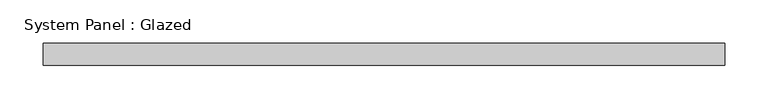
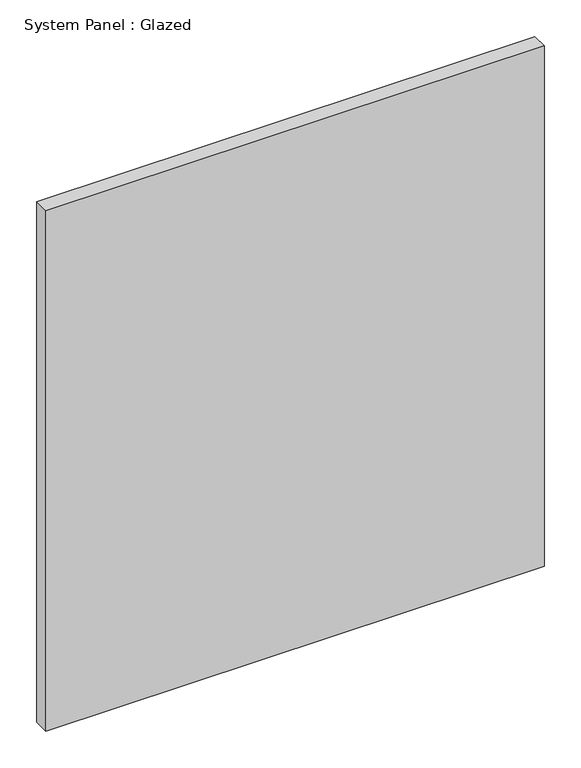
"""IFC4 building model written with IfcOpenShell, lengths in millimetres: plate geometry, System Panel : Glazed."""

import ifcopenshell
import ifcopenshell.guid

model = None  # the IFC model being written
_history = None  # IfcOwnerHistory: only IFC2X3 demands one
_inside = {}  # id of a spatial element -> (the spatial element, [elements in it])
_under = {}  # id of a project, library or spatial element -> (it, [spatial elements below it])
_declared = {}  # id of a project -> (the project, [libraries it declares])
_typed = {}  # id of a type object -> (the type object, [elements of that type])
_made_of = {}  # id of a material, layer set ... -> (it, [elements and type objects made of it])


def new_model(schema):
    """Start an empty IFC model of exactly this schema.

    Asked for "IFC4X3", IfcOpenShell would pick the latest addendum, in which some entities
    have other attributes; the version numbers below select the first issue.
    IFC2X3 requires an IfcOwnerHistory on every rooted entity: one is made here for all.
    """
    global model, _history
    if schema == "IFC4X3":
        model = ifcopenshell.file(schema_version=(4, 3, 0, 0))
    else:
        model = ifcopenshell.file(schema=schema)
    _inside.clear()
    _under.clear()
    _declared.clear()
    _typed.clear()
    _made_of.clear()
    _history = None
    if model.schema == "IFC2X3":
        org = make("IfcOrganization", Name="unknown")
        user = make(
            "IfcPersonAndOrganization",
            ThePerson=make("IfcPerson", FamilyName="unknown"),
            TheOrganization=org,
        )
        app = make(
            "IfcApplication",
            ApplicationDeveloper=org,
            Version="unknown",
            ApplicationFullName="unknown",
            ApplicationIdentifier="unknown",
        )
        _history = make(
            "IfcOwnerHistory",
            OwningUser=user,
            OwningApplication=app,
            ChangeAction="ADDED",
            CreationDate=0,
        )
    return model


def make(cls, **values):
    """One entity of the class cls with the attributes given. An attribute that is None is left unset."""
    return model.create_entity(
        cls, **{name: value for name, value in values.items() if value is not None}
    )


def rooted(cls, **values):
    """An entity with a GlobalId (a new one), such as an element, a storey or a relation."""
    return make(cls, GlobalId=ifcopenshell.guid.new(), OwnerHistory=_history, **values)


def si_unit(unit_type, name, prefix=None):
    """IfcSIUnit, for example si_unit("LENGTHUNIT", "METRE", prefix="MILLI")."""
    return make("IfcSIUnit", UnitType=unit_type, Prefix=prefix, Name=name)


def assignment(units):
    """IfcUnitAssignment: the units of a project."""
    return None if units is None else make("IfcUnitAssignment", Units=units)


def point(xyz):
    """IfcCartesianPoint."""
    return None if xyz is None else make("IfcCartesianPoint", Coordinates=xyz)


def direction(xyz):
    """IfcDirection."""
    return None if xyz is None else make("IfcDirection", DirectionRatios=xyz)


def frame(location, z_axis=None, x_axis=None):
    """IfcAxis2Placement3D, a coordinate frame: its origin and axes. An axis left out is left unset."""
    return make(
        "IfcAxis2Placement3D",
        Location=point(location),
        Axis=direction(z_axis),
        RefDirection=direction(x_axis),
    )


def origin():
    """The frame at (0, 0, 0) with its axes left unset."""
    return frame((0.0, 0.0, 0.0))


def origin_with_axes():
    """The frame at (0, 0, 0) with the z axis (0, 0, 1) and the x axis (1, 0, 0) written out."""
    return frame((0.0, 0.0, 0.0), z_axis=(0.0, 0.0, 1.0), x_axis=(1.0, 0.0, 0.0))


def place(relative_to, where):
    """IfcLocalPlacement: puts the frame where relative to a parent placement (None: the world)."""
    return make(
        "IfcLocalPlacement", PlacementRelTo=relative_to, RelativePlacement=where
    )


def context(
    kind, dimensions, precision=None, world=None, true_north=None, identifier=None
):
    """IfcGeometricRepresentationContext, for example the 3D "Model" context."""
    return make(
        "IfcGeometricRepresentationContext",
        ContextIdentifier=identifier,
        ContextType=kind,
        CoordinateSpaceDimension=dimensions,
        Precision=precision,
        WorldCoordinateSystem=world,
        TrueNorth=true_north,
    )


def project(units=None, contexts=None):
    """IfcProject with its units and contexts."""
    return rooted(
        "IfcProject",
        Name="project",
        RepresentationContexts=contexts,
        UnitsInContext=assignment(units),
    )


def spatial(cls, under=None, at=None, **own):
    """A site, building, storey or space (cls), placed at a placement, below another one or the project."""
    s = rooted(cls, ObjectPlacement=at, **own)
    if under is not None:
        _under.setdefault(under.id(), (under, []))[1].append(s)
    return s


def polyline(points):
    """IfcPolyline through the points."""
    return make("IfcPolyline", Points=[point(p) for p in points])


def outline(outer, holes=None, kind="AREA"):
    """IfcArbitraryClosedProfileDef: a profile drawn as a closed curve; with holes, ...WithVoids."""
    if holes is None:
        return make("IfcArbitraryClosedProfileDef", ProfileType=kind, OuterCurve=outer)
    return make(
        "IfcArbitraryProfileDefWithVoids",
        ProfileType=kind,
        OuterCurve=outer,
        InnerCurves=holes,
    )


def extrude(swept, where, along, depth):
    """IfcExtrudedAreaSolid: the profile swept, set in the frame where, extruded along a direction by depth."""
    return make(
        "IfcExtrudedAreaSolid",
        SweptArea=swept,
        Position=where,
        ExtrudedDirection=direction(along),
        Depth=depth,
    )


def shape(context_of_items, identifier, shape_type, items):
    """IfcShapeRepresentation: the items that make up one representation, for example the "Body"."""
    return make(
        "IfcShapeRepresentation",
        ContextOfItems=context_of_items,
        RepresentationIdentifier=identifier,
        RepresentationType=shape_type,
        Items=items,
    )


def source(mapping_origin, context_of_items, identifier, shape_type, items):
    """IfcRepresentationMap: a shape defined once, which mapped items show again and again."""
    return make(
        "IfcRepresentationMap",
        MappingOrigin=mapping_origin,
        MappedRepresentation=shape(context_of_items, identifier, shape_type, items),
    )


def transform(
    local_origin,
    x_axis=None,
    y_axis=None,
    z_axis=None,
    scale=None,
    scale2=None,
    scale3=None,
    uniform=True,
):
    """IfcCartesianTransformationOperator3D, or its non-uniform kind. x_axis, y_axis, z_axis: its Axis1, 2, 3."""
    if uniform:
        return make(
            "IfcCartesianTransformationOperator3D",
            Axis1=direction(x_axis),
            Axis2=direction(y_axis),
            LocalOrigin=point(local_origin),
            Scale=scale,
            Axis3=direction(z_axis),
        )
    return make(
        "IfcCartesianTransformationOperator3DnonUniform",
        Axis1=direction(x_axis),
        Axis2=direction(y_axis),
        LocalOrigin=point(local_origin),
        Scale=scale,
        Axis3=direction(z_axis),
        Scale2=scale2,
        Scale3=scale3,
    )


def mapped(mapping_source, mapping_target):
    """IfcMappedItem: shows the shape of a source again, moved by a transform."""
    return make(
        "IfcMappedItem", MappingSource=mapping_source, MappingTarget=mapping_target
    )


def made_of(thing, what):
    """Note that an element or type object is made of a material, layer set ...; save() writes the relation."""
    if what is not None:
        _made_of.setdefault(what.id(), (what, []))[1].append(thing)
    return thing


def element(
    cls,
    number,
    at=None,
    inside=None,
    cuts=None,
    type_object=None,
    material=None,
    context=None,
    identifier="Body",
    shape_type=None,
    held_by="IfcProductDefinitionShape",
    body=None,
    shapes=None,
    **own,
):
    """One element of the class cls, such as IfcWall. Its Tag is "e" and its number.

    at: its placement. inside: the storey or other place that contains it. cuts: it is an
    opening in that element (IfcRelVoidsElement). A single representation is given by context,
    identifier, shape_type and body (its items); several are given by shapes. held_by: the class
    of the entity that holds the representations. save() writes the other relations.
    """
    e = rooted(cls, Tag="e%d" % number, ObjectPlacement=at, **own)
    if body is not None:
        shapes = [shape(context, identifier, shape_type, body)]
    if shapes is not None:
        e.Representation = make(held_by, Representations=shapes)
    if inside is not None:
        _inside.setdefault(inside.id(), (inside, []))[1].append(e)
    if cuts is not None:
        rooted(
            "IfcRelVoidsElement", RelatingBuildingElement=cuts, RelatedOpeningElement=e
        )
    if type_object is not None:
        _typed.setdefault(type_object.id(), (type_object, []))[1].append(e)
    return made_of(e, material)


def aggregate(whole, parts):
    """IfcRelAggregates: a whole, such as a stair, and the parts it consists of."""
    return rooted("IfcRelAggregates", RelatingObject=whole, RelatedObjects=parts)


def save(model, path):
    """Write the relations noted so far, then the file.

    IfcRelAggregates (storeys below a building ...), IfcRelContainedInSpatialStructure (elements
    in a storey), IfcRelDefinesByType, IfcRelAssociatesMaterial and IfcRelDeclares: one each for
    every whole, place, type object, material and project.
    """
    for whole, parts in _under.values():
        aggregate(whole, parts)
    for where, things in _inside.values():
        rooted(
            "IfcRelContainedInSpatialStructure",
            RelatedElements=things,
            RelatingStructure=where,
        )
    for kind, things in _typed.values():
        rooted("IfcRelDefinesByType", RelatedObjects=things, RelatingType=kind)
    for what, things in _made_of.values():
        rooted("IfcRelAssociatesMaterial", RelatedObjects=things, RelatingMaterial=what)
    for by, libraries in _declared.values():
        rooted("IfcRelDeclares", RelatingContext=by, RelatedDefinitions=libraries)
    model.write(path)


def system_panel_glazed_d21b1639(model_context):
    return source(origin(), model_context, "Body", "SweptSolid", [
        extrude(outline(polyline([(393.7, -44.45), (-393.7, -44.45), (-393.7, -19.05), (393.7, -19.05), (393.7, -44.45)])), origin_with_axes(), (0.0, 0.0, 1.0), 869.95),
    ])


if __name__ == "__main__":
    model = new_model("IFC4")
    model_context = context("Model", 3, world=origin())
    ifc_project = project(units=[si_unit("LENGTHUNIT", "METRE", prefix="MILLI")], contexts=[model_context])
    site = spatial("IfcSite", under=ifc_project)
    building = spatial("IfcBuilding", under=site)
    placement = place(None, origin())
    system_panel_glazed_shape = system_panel_glazed_d21b1639(model_context)
    element("IfcPlate", 1, ObjectType="System Panel : Glazed", at=placement, inside=building, context=model_context, shape_type="MappedRepresentation", body=[
        mapped(system_panel_glazed_shape, transform((0.0, 0.0, 0.0), x_axis=(1.0, 0.0, 0.0), y_axis=(0.0, 1.0, 0.0), z_axis=(0.0, 0.0, 1.0))),
    ])
    save(model, "model.ifc")
